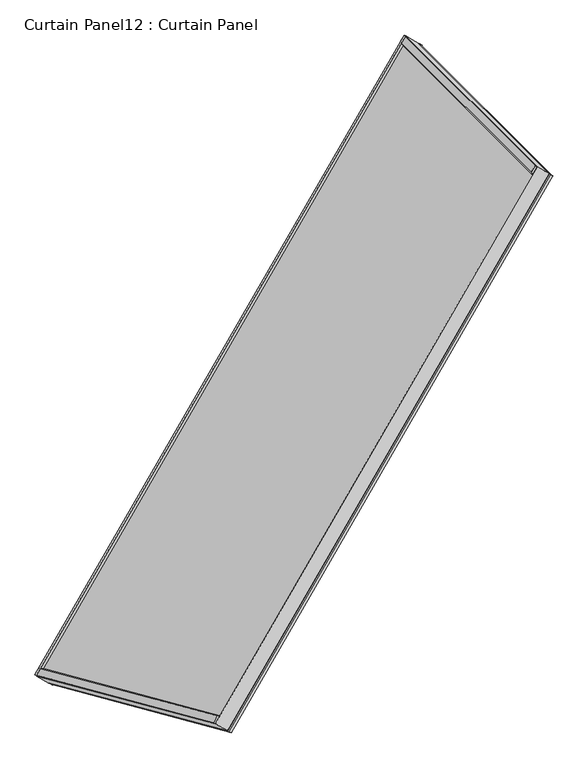
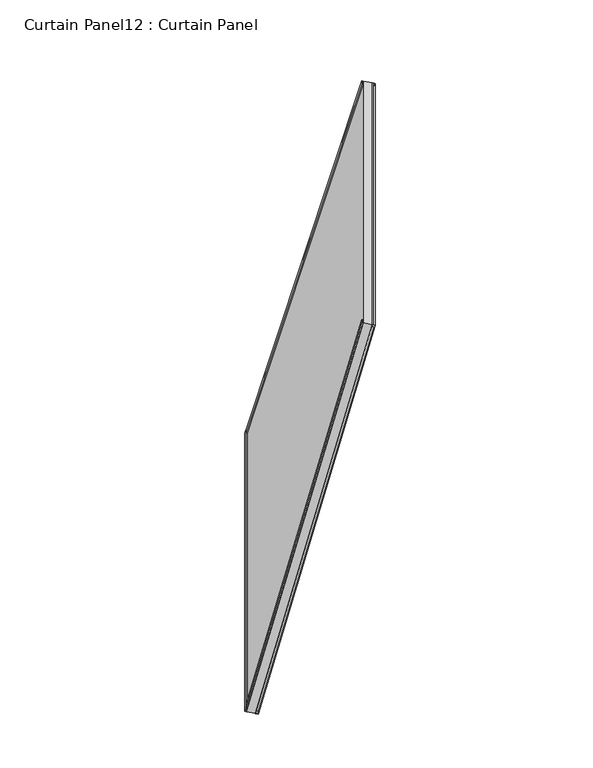
"""IFC4 building model written with IfcOpenShell, lengths in millimetres: plate geometry, Curtain Panel12 : Curtain Panel."""

from ifc_helpers import new_model, si_unit, frame, origin, place, context, project, spatial, polyline, outline, extrude, source, transform, mapped, element, save


def curtain_panel12_curtain_panel_2a91c393(model_context):
    return source(origin(), model_context, "Body", "SweptSolid", [
        extrude(outline(polyline([(41.5313813, 0.3142863), (36.8101563, 0.3142863), (36.8101562, 17.1784231), (41.5313813, 12.742733), (41.5313813, 0.3142863)])), frame((-15125.581552, -12906.892138, 980.1683943), z_axis=(0.4999999999999969, 0.8660254037844406, 0.0), x_axis=(-0.8383994929501045, 0.48405017294318464, 0.2505628070857303)), (0.0, 0.0, 1.0), 1545.7655054),
        extrude(outline(polyline([(-0.0992187, 0.3142864), (-0.0992187, 10.6521814), (6.6476563, 11.8475607), (6.6476563, 0.3142863), (-0.0992187, 0.3142864)])), frame((-15125.581552, -12906.892138, 980.1683943), z_axis=(0.4999999999999969, 0.8660254037844406, 0.0), x_axis=(-0.8383994929501045, 0.48405017294318464, 0.2505628070857303)), (0.0, 0.0, 1.0), 1545.7655054),
        extrude(outline(polyline([(3.4360268, 0.6040814), (6.6476562, 0.5758667), (6.6476562, -13.2704419), (-0.326092, -11.3714481), (-3.110847, -0.6010089), (3.4360268, 0.6040814)])), frame((-14751.9098416, -13007.0171713, 2423.9250176), z_axis=(0.49999999999999695, 0.8660254037844406, 0.0), x_axis=(-0.8383994929501045, 0.48405017294318464, 0.2505628070857303)), (0.0, 0.0, 1.0), 1345.5154397),
        extrude(outline(polyline([(36.8101563, -19.5556966), (36.8101563, -0.3725758), (41.5462106, -0.3725758), (41.5555976, -16.5146761), (36.8101563, -19.5556966)])), frame((-15125.581552, -12906.892138, 980.1683943), z_axis=(0.24999999999999822, -0.0669872981077809, 0.9659258262890688), x_axis=(-0.8383994929501044, 0.48405017294318464, 0.2505628070857303)), (0.0, 0.0, 1.0), 1494.6868424),
        extrude(outline(polyline([(0.5710415, 0.0210532), (6.6476563, 0.0210532), (6.6476563, -11.4787859), (0.3024738, -13.1210399), (-2.8685418, -0.8691764), (0.5710415, 0.0210532)])), frame((-15125.581552, -12906.892138, 980.1683943), z_axis=(0.24999999999999822, -0.0669872981077809, 0.9659258262890688), x_axis=(-0.8383994929501044, 0.48405017294318464, 0.2505628070857303)), (0.0, 0.0, 1.0), 1494.6868424),
        extrude(outline(polyline([(41.5446664, 0.3770605), (36.8101563, 0.3798136), (36.8101562, 19.5496434), (41.5540775, 16.560707), (41.5446664, 0.3770605)])), frame((-14352.6987994, -11568.2199421, 980.1683943), z_axis=(0.18301270189221996, -0.18301270189221613, 0.9659258262890689), x_axis=(-0.8383994929501045, 0.4840501729431844, 0.2505628070857302)), (0.0, 0.0, 1.0), 1494.6868424),
        extrude(outline(polyline([(0.4494607, -0.0210532), (-2.876175, 0.8396845), (0.3015008, 13.1172809), (6.6476562, 11.474775), (6.6476562, -0.0210532), (0.4494607, -0.0210532)])), frame((-14352.6987994, -11568.2199421, 980.1683943), z_axis=(0.18301270189221996, -0.18301270189221613, 0.9659258262890689), x_axis=(-0.8383994929501045, 0.4840501729431844, 0.2505628070857302)), (0.0, 0.0, 1.0), 1494.6868424),
        extrude(outline(polyline([(-69.1681417, 1e-07), (-172.7147964, -1542.2934506), (-1653.9874279, -1342.4931805), (-1563.8549841, 1e-07), (-69.1681417, 1e-07)])), frame((-15148.3787809, -12899.0803261, 915.327016), z_axis=(-0.8383994929501045, 0.4840501729431847, 0.2505628070857303), x_axis=(-0.249999999999998, 0.06698729810778117, -0.9659258262890689)), (0.0, 0.0, 1.0), 30.1625),
    ])


if __name__ == "__main__":
    model = new_model("IFC4")
    model_context = context("Model", 3, world=origin())
    ifc_project = project(units=[si_unit("LENGTHUNIT", "METRE", prefix="MILLI")], contexts=[model_context])
    site = spatial("IfcSite", under=ifc_project)
    building = spatial("IfcBuilding", under=site)
    placement = place(None, origin())
    curtain_panel12_curtain_panel_shape = curtain_panel12_curtain_panel_2a91c393(model_context)
    element("IfcPlate", 1, ObjectType="Curtain Panel12 : Curtain Panel", at=placement, inside=building, context=model_context, shape_type="MappedRepresentation", body=[
        mapped(curtain_panel12_curtain_panel_shape, transform((0.0, 0.0, 0.0), x_axis=(1.0, 0.0, 0.0), y_axis=(0.0, 1.0, 0.0), z_axis=(0.0, 0.0, 1.0))),
    ])
    save(model, "model.ifc")
